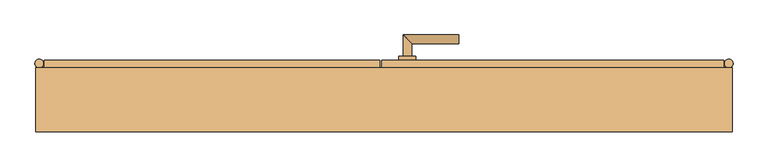
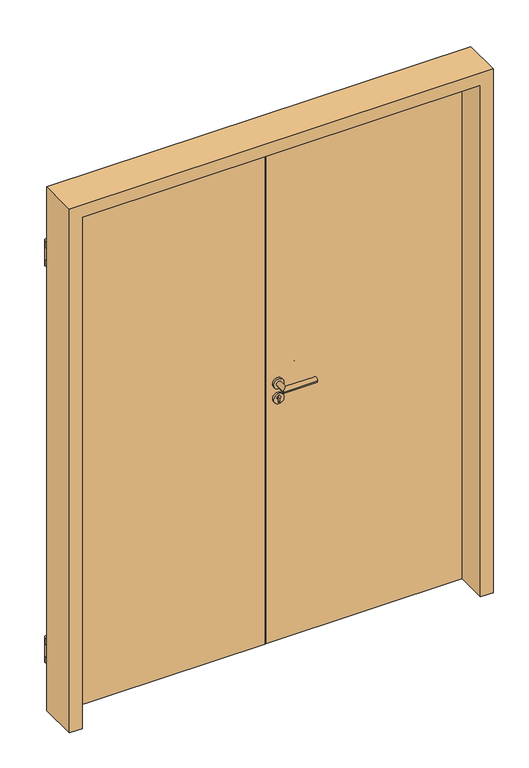
"""IFC4 building model written with IfcOpenShell, lengths in millimetres: door geometry."""

import ifcopenshell
import ifcopenshell.guid

model = None  # the IFC model being written
_history = None  # IfcOwnerHistory: only IFC2X3 demands one
_inside = {}  # id of a spatial element -> (the spatial element, [elements in it])
_under = {}  # id of a project, library or spatial element -> (it, [spatial elements below it])
_declared = {}  # id of a project -> (the project, [libraries it declares])
_typed = {}  # id of a type object -> (the type object, [elements of that type])
_made_of = {}  # id of a material, layer set ... -> (it, [elements and type objects made of it])


def new_model(schema):
    """Start an empty IFC model of exactly this schema.

    Asked for "IFC4X3", IfcOpenShell would pick the latest addendum, in which some entities
    have other attributes; the version numbers below select the first issue.
    IFC2X3 requires an IfcOwnerHistory on every rooted entity: one is made here for all.
    """
    global model, _history
    if schema == "IFC4X3":
        model = ifcopenshell.file(schema_version=(4, 3, 0, 0))
    else:
        model = ifcopenshell.file(schema=schema)
    _inside.clear()
    _under.clear()
    _declared.clear()
    _typed.clear()
    _made_of.clear()
    _history = None
    if model.schema == "IFC2X3":
        org = make("IfcOrganization", Name="unknown")
        user = make(
            "IfcPersonAndOrganization",
            ThePerson=make("IfcPerson", FamilyName="unknown"),
            TheOrganization=org,
        )
        app = make(
            "IfcApplication",
            ApplicationDeveloper=org,
            Version="unknown",
            ApplicationFullName="unknown",
            ApplicationIdentifier="unknown",
        )
        _history = make(
            "IfcOwnerHistory",
            OwningUser=user,
            OwningApplication=app,
            ChangeAction="ADDED",
            CreationDate=0,
        )
    return model


def make(cls, **values):
    """One entity of the class cls with the attributes given. An attribute that is None is left unset."""
    return model.create_entity(
        cls, **{name: value for name, value in values.items() if value is not None}
    )


def rooted(cls, **values):
    """An entity with a GlobalId (a new one), such as an element, a storey or a relation."""
    return make(cls, GlobalId=ifcopenshell.guid.new(), OwnerHistory=_history, **values)


def si_unit(unit_type, name, prefix=None):
    """IfcSIUnit, for example si_unit("LENGTHUNIT", "METRE", prefix="MILLI")."""
    return make("IfcSIUnit", UnitType=unit_type, Prefix=prefix, Name=name)


def assignment(units):
    """IfcUnitAssignment: the units of a project."""
    return None if units is None else make("IfcUnitAssignment", Units=units)


def point(xyz):
    """IfcCartesianPoint."""
    return None if xyz is None else make("IfcCartesianPoint", Coordinates=xyz)


def direction(xyz):
    """IfcDirection."""
    return None if xyz is None else make("IfcDirection", DirectionRatios=xyz)


def frame(location, z_axis=None, x_axis=None):
    """IfcAxis2Placement3D, a coordinate frame: its origin and axes. An axis left out is left unset."""
    return make(
        "IfcAxis2Placement3D",
        Location=point(location),
        Axis=direction(z_axis),
        RefDirection=direction(x_axis),
    )


def frame_2d(location, x_axis=None):
    """IfcAxis2Placement2D, a coordinate frame in the plane: its origin and x axis."""
    return make(
        "IfcAxis2Placement2D", Location=point(location), RefDirection=direction(x_axis)
    )


def origin():
    """The frame at (0, 0, 0) with its axes left unset."""
    return frame((0.0, 0.0, 0.0))


def place(relative_to, where):
    """IfcLocalPlacement: puts the frame where relative to a parent placement (None: the world)."""
    return make(
        "IfcLocalPlacement", PlacementRelTo=relative_to, RelativePlacement=where
    )


def context(
    kind, dimensions, precision=None, world=None, true_north=None, identifier=None
):
    """IfcGeometricRepresentationContext, for example the 3D "Model" context."""
    return make(
        "IfcGeometricRepresentationContext",
        ContextIdentifier=identifier,
        ContextType=kind,
        CoordinateSpaceDimension=dimensions,
        Precision=precision,
        WorldCoordinateSystem=world,
        TrueNorth=true_north,
    )


def project(units=None, contexts=None):
    """IfcProject with its units and contexts."""
    return rooted(
        "IfcProject",
        Name="project",
        RepresentationContexts=contexts,
        UnitsInContext=assignment(units),
    )


def spatial(cls, under=None, at=None, **own):
    """A site, building, storey or space (cls), placed at a placement, below another one or the project."""
    s = rooted(cls, ObjectPlacement=at, **own)
    if under is not None:
        _under.setdefault(under.id(), (under, []))[1].append(s)
    return s


def polyline(points):
    """IfcPolyline through the points."""
    return make("IfcPolyline", Points=[point(p) for p in points])


def circle_curve(where, radius):
    """IfcCircle in the frame where."""
    return make("IfcCircle", Position=where, Radius=radius)


def ellipse_curve(where, semi_axis1, semi_axis2):
    """IfcEllipse in the frame where."""
    return make(
        "IfcEllipse", Position=where, SemiAxis1=semi_axis1, SemiAxis2=semi_axis2
    )


def trimmed(basis, trim1, trim2, sense, master):
    """IfcTrimmedCurve: the piece of a basis curve between two trims."""
    return make(
        "IfcTrimmedCurve",
        BasisCurve=basis,
        Trim1=trim1,
        Trim2=trim2,
        SenseAgreement=sense,
        MasterRepresentation=master,
    )


def segment(curve, same_sense, transition):
    """IfcCompositeCurveSegment."""
    return make(
        "IfcCompositeCurveSegment",
        Transition=transition,
        SameSense=same_sense,
        ParentCurve=curve,
    )


def composite_curve(segments, self_intersect=None):
    """IfcCompositeCurve: segments joined end to end."""
    return make("IfcCompositeCurve", Segments=segments, SelfIntersect=self_intersect)


def outline(outer, holes=None, kind="AREA"):
    """IfcArbitraryClosedProfileDef: a profile drawn as a closed curve; with holes, ...WithVoids."""
    if holes is None:
        return make("IfcArbitraryClosedProfileDef", ProfileType=kind, OuterCurve=outer)
    return make(
        "IfcArbitraryProfileDefWithVoids",
        ProfileType=kind,
        OuterCurve=outer,
        InnerCurves=holes,
    )


def extrude(swept, where, along, depth):
    """IfcExtrudedAreaSolid: the profile swept, set in the frame where, extruded along a direction by depth."""
    return make(
        "IfcExtrudedAreaSolid",
        SweptArea=swept,
        Position=where,
        ExtrudedDirection=direction(along),
        Depth=depth,
    )


def faces_of(points, faces, orient=None, outer=None):
    """IfcFace entities. A face is a list of loops; a loop is a list of indices into points, from 0.

    orient and outer hold one flag for each loop. By default every Orientation is true, the
    first loop of a face is its IfcFaceOuterBound and the others are IfcFaceBound.
    """
    made = []
    for i, loops in enumerate(faces):
        bounds = []
        for j, loop in enumerate(loops):
            is_outer = j == 0 if outer is None else outer[i][j]
            bounds.append(
                make(
                    "IfcFaceOuterBound" if is_outer else "IfcFaceBound",
                    Bound=make("IfcPolyLoop", Polygon=[points[k] for k in loop]),
                    Orientation=True if orient is None else orient[i][j],
                )
            )
        made.append(make("IfcFace", Bounds=bounds))
    return made


def faceted_brep(points, faces, orient=None, outer=None, voids=None):
    """IfcFacetedBrep: a solid bounded by flat faces; with voids (closed shells), ...WithVoids."""
    shared = [point(p) for p in points]
    hull = make("IfcClosedShell", CfsFaces=faces_of(shared, faces, orient, outer))
    if voids is None:
        return make("IfcFacetedBrep", Outer=hull)
    return make(
        "IfcFacetedBrepWithVoids",
        Outer=hull,
        Voids=[
            make(cls, CfsFaces=faces_of(shared, fs, o, b)) for cls, fs, o, b in voids
        ],
    )


def shape(context_of_items, identifier, shape_type, items):
    """IfcShapeRepresentation: the items that make up one representation, for example the "Body"."""
    return make(
        "IfcShapeRepresentation",
        ContextOfItems=context_of_items,
        RepresentationIdentifier=identifier,
        RepresentationType=shape_type,
        Items=items,
    )


def source(mapping_origin, context_of_items, identifier, shape_type, items):
    """IfcRepresentationMap: a shape defined once, which mapped items show again and again."""
    return make(
        "IfcRepresentationMap",
        MappingOrigin=mapping_origin,
        MappedRepresentation=shape(context_of_items, identifier, shape_type, items),
    )


def transform(
    local_origin,
    x_axis=None,
    y_axis=None,
    z_axis=None,
    scale=None,
    scale2=None,
    scale3=None,
    uniform=True,
):
    """IfcCartesianTransformationOperator3D, or its non-uniform kind. x_axis, y_axis, z_axis: its Axis1, 2, 3."""
    if uniform:
        return make(
            "IfcCartesianTransformationOperator3D",
            Axis1=direction(x_axis),
            Axis2=direction(y_axis),
            LocalOrigin=point(local_origin),
            Scale=scale,
            Axis3=direction(z_axis),
        )
    return make(
        "IfcCartesianTransformationOperator3DnonUniform",
        Axis1=direction(x_axis),
        Axis2=direction(y_axis),
        LocalOrigin=point(local_origin),
        Scale=scale,
        Axis3=direction(z_axis),
        Scale2=scale2,
        Scale3=scale3,
    )


def mapped(mapping_source, mapping_target):
    """IfcMappedItem: shows the shape of a source again, moved by a transform."""
    return make(
        "IfcMappedItem", MappingSource=mapping_source, MappingTarget=mapping_target
    )


def made_of(thing, what):
    """Note that an element or type object is made of a material, layer set ...; save() writes the relation."""
    if what is not None:
        _made_of.setdefault(what.id(), (what, []))[1].append(thing)
    return thing


def element(
    cls,
    number,
    at=None,
    inside=None,
    cuts=None,
    type_object=None,
    material=None,
    context=None,
    identifier="Body",
    shape_type=None,
    held_by="IfcProductDefinitionShape",
    body=None,
    shapes=None,
    **own,
):
    """One element of the class cls, such as IfcWall. Its Tag is "e" and its number.

    at: its placement. inside: the storey or other place that contains it. cuts: it is an
    opening in that element (IfcRelVoidsElement). A single representation is given by context,
    identifier, shape_type and body (its items); several are given by shapes. held_by: the class
    of the entity that holds the representations. save() writes the other relations.
    """
    e = rooted(cls, Tag="e%d" % number, ObjectPlacement=at, **own)
    if body is not None:
        shapes = [shape(context, identifier, shape_type, body)]
    if shapes is not None:
        e.Representation = make(held_by, Representations=shapes)
    if inside is not None:
        _inside.setdefault(inside.id(), (inside, []))[1].append(e)
    if cuts is not None:
        rooted(
            "IfcRelVoidsElement", RelatingBuildingElement=cuts, RelatedOpeningElement=e
        )
    if type_object is not None:
        _typed.setdefault(type_object.id(), (type_object, []))[1].append(e)
    return made_of(e, material)


def aggregate(whole, parts):
    """IfcRelAggregates: a whole, such as a stair, and the parts it consists of."""
    return rooted("IfcRelAggregates", RelatingObject=whole, RelatedObjects=parts)


def save(model, path):
    """Write the relations noted so far, then the file.

    IfcRelAggregates (storeys below a building ...), IfcRelContainedInSpatialStructure (elements
    in a storey), IfcRelDefinesByType, IfcRelAssociatesMaterial and IfcRelDeclares: one each for
    every whole, place, type object, material and project.
    """
    for whole, parts in _under.values():
        aggregate(whole, parts)
    for where, things in _inside.values():
        rooted(
            "IfcRelContainedInSpatialStructure",
            RelatedElements=things,
            RelatingStructure=where,
        )
    for kind, things in _typed.values():
        rooted("IfcRelDefinesByType", RelatedObjects=things, RelatingType=kind)
    for what, things in _made_of.values():
        rooted("IfcRelAssociatesMaterial", RelatedObjects=things, RelatingMaterial=what)
    for by, libraries in _declared.values():
        rooted("IfcRelDeclares", RelatingContext=by, RelatedDefinitions=libraries)
    model.write(path)


def plane_surface(at):
    """IfcPlane: the flat surface through the origin of the frame at, square to its z axis."""
    return make("IfcPlane", Position=at)


def cylinder_surface(at, radius):
    """IfcCylindricalSurface: all points at the distance radius from the z axis of the frame at."""
    return make("IfcCylindricalSurface", Position=at, Radius=radius)


def advanced_brep(points, edges, surfaces, faces):
    """IfcAdvancedBrep: a solid bounded by faces that lie on surfaces and meet in shared edges.

    An edge is (start, end): straight between two places in points (the first is 0);
    or (start, end, curve); or (start, end, curve, False) where it runs against its curve.
    A face is (place in surfaces, loops), or (place, loops, False) where it looks against
    its surface's normal. A loop lists edges by number (the first is 1), with a minus sign
    where the edge is run from its end to its start. The first loop is the outer one.
    """
    corners = [point(p) for p in points]
    vertices = [make("IfcVertexPoint", VertexGeometry=c) for c in corners]
    made = []
    for start, end, *more in edges:
        made.append(
            make(
                "IfcEdgeCurve",
                EdgeStart=vertices[start],
                EdgeEnd=vertices[end],
                EdgeGeometry=more[0] if more else make("IfcPolyline", Points=[corners[start], corners[end]]),
                SameSense=more[1] if len(more) > 1 else True,
            )
        )
    hull = []
    for where, loops, *sense in faces:
        bounds = []
        for j, loop in enumerate(loops):
            ring = [make("IfcOrientedEdge", EdgeElement=made[abs(k) - 1], Orientation=k > 0) for k in loop]
            bounds.append(
                make(
                    "IfcFaceOuterBound" if j == 0 else "IfcFaceBound",
                    Bound=make("IfcEdgeLoop", EdgeList=ring),
                    Orientation=True,
                )
            )
        hull.append(make("IfcAdvancedFace", Bounds=bounds, FaceSurface=surfaces[where], SameSense=sense[0] if sense else True))
    return make("IfcAdvancedBrep", Outer=make("IfcClosedShell", CfsFaces=hull))


def door_7352bb9c(model_context):
    return source(origin(), model_context, "Body", "SolidModel", [
        faceted_brep([(-782.5, 75.0, 2100.0), (-9.5, 75.0, 2100.0), (-9.5, 75.0, 2115.0), (-797.5, 75.0, 2115.0), (-797.5, 75.0, 0.0), (-782.5, 75.0, 0.0), (-782.5, 47.0, 0.0), (-782.5, 47.0, 2100.0), (5.5, 47.0, 0.0), (5.5, 47.0, 2100.0), (-797.5, 92.0, 0.0), (-9.5, 92.0, 0.0), (-9.5, 75.0, 0.0), (5.5, 75.0, 0.0), (-797.5, 92.0, 2115.0), (5.5, 75.0, 2100.0), (-9.5, 92.0, 2115.0)], [[[0, 1, 2, 3, 4, 5]], [[5, 6, 7, 0]], [[8, 9, 7, 6]], [[8, 6, 5, 4, 10, 11, 12, 13]], [[10, 4, 3, 14]], [[13, 15, 9, 8]], [[12, 1, 15, 13]], [[2, 1, 12, 11, 16]], [[16, 11, 10, 14]], [[0, 7, 9, 15, 1]], [[14, 3, 2, 16]]]),
        faceted_brep([(797.5, 92.0, 0.0), (797.5, 75.0, 0.0), (782.5, 75.0, 0.0), (782.5, 47.0, 0.0), (9.5, 47.0, 0.0), (9.5, 75.0, 0.0), (-5.5, 75.0, 0.0), (-5.5, 92.0, 0.0), (782.5, 47.0, 2100.0), (9.5, 47.0, 2100.0), (782.5, 75.0, 2100.0), (797.5, 92.0, 2115.0), (-5.5, 92.0, 2115.0), (-5.5, 75.0, 2115.0), (9.5, 75.0, 2100.0), (797.5, 75.0, 2115.0)], [[[0, 1, 2, 3, 4, 5, 6, 7]], [[3, 8, 9, 4]], [[10, 8, 3, 2]], [[11, 0, 7, 12]], [[12, 7, 6, 13]], [[14, 9, 8, 10]], [[11, 15, 1, 0]], [[15, 11, 12, 13]], [[15, 13, 6, 5, 14, 10, 2, 1]], [[4, 9, 14, 5]]]),
        extrude(outline(composite_curve([segment(trimmed(circle_curve(frame_2d((809.5, 85.0)), 10.0), [point((799.5, 85.0))], [point((819.5, 85.0))], False, "CARTESIAN"), True, "CONTINUOUS"), segment(trimmed(circle_curve(frame_2d((809.5, 85.0)), 10.0), [point((819.5, 85.0))], [point((799.5, 85.0))], False, "CARTESIAN"), True, "CONTINUOUS")], self_intersect=False)), frame((0.0, 0.0, 1884.0), z_axis=(0.0, 0.0, 1.0), x_axis=(1.0, 0.0, 0.0)), (0.0, 0.0, 1.0), 25.0),
        extrude(outline(composite_curve([segment(polyline([(809.5, 75.0), (797.5, 75.0), (797.5, 80.0), (800.839746, 80.0)]), True, "CONTINUOUS"), segment(trimmed(circle_curve(frame_2d((809.5, 85.0)), 10.0), [point((800.839746, 80.0))], [point((809.5, 75.0))], False, "CARTESIAN"), True, "CONTINUOUS")], self_intersect=False)), frame((0.0, 0.0, 1834.0), z_axis=(0.0, 0.0, 1.0), x_axis=(1.0, 0.0, 0.0)), (0.0, 0.0, 1.0), 50.0),
        extrude(outline(composite_curve([segment(trimmed(circle_curve(frame_2d((809.5, 85.0)), 10.0), [point((799.5, 85.0))], [point((819.5, 85.0))], False, "CARTESIAN"), True, "CONTINUOUS"), segment(trimmed(circle_curve(frame_2d((809.5, 85.0)), 10.0), [point((819.5, 85.0))], [point((799.5, 85.0))], False, "CARTESIAN"), True, "CONTINUOUS")], self_intersect=False)), frame((0.0, 0.0, 1809.0), z_axis=(0.0, 0.0, 1.0), x_axis=(1.0, 0.0, 0.0)), (0.0, 0.0, 1.0), 25.0),
        extrude(outline(composite_curve([segment(trimmed(circle_curve(frame_2d((809.5, 85.0)), 10.0), [point((799.5, 85.0))], [point((819.5, 85.0))], False, "CARTESIAN"), True, "CONTINUOUS"), segment(trimmed(circle_curve(frame_2d((809.5, 85.0)), 10.0), [point((819.5, 85.0))], [point((799.5, 85.0))], False, "CARTESIAN"), True, "CONTINUOUS")], self_intersect=False)), frame((0.0, 0.0, 266.0), z_axis=(0.0, 0.0, 1.0), x_axis=(1.0, 0.0, 0.0)), (0.0, 0.0, 1.0), 25.0),
        extrude(outline(composite_curve([segment(polyline([(809.5, 75.0), (797.5, 75.0), (797.5, 80.0), (800.839746, 80.0)]), True, "CONTINUOUS"), segment(trimmed(circle_curve(frame_2d((809.5, 85.0)), 10.0), [point((800.839746, 80.0))], [point((809.5, 75.0))], False, "CARTESIAN"), True, "CONTINUOUS")], self_intersect=False)), frame((0.0, 0.0, 216.0), z_axis=(0.0, 0.0, 1.0), x_axis=(1.0, 0.0, 0.0)), (0.0, 0.0, 1.0), 50.0),
        extrude(outline(composite_curve([segment(trimmed(circle_curve(frame_2d((809.5, 85.0)), 10.0), [point((799.5, 85.0))], [point((819.5, 85.0))], False, "CARTESIAN"), True, "CONTINUOUS"), segment(trimmed(circle_curve(frame_2d((809.5, 85.0)), 10.0), [point((819.5, 85.0))], [point((799.5, 85.0))], False, "CARTESIAN"), True, "CONTINUOUS")], self_intersect=False)), frame((0.0, 0.0, 191.0), z_axis=(0.0, 0.0, 1.0), x_axis=(1.0, 0.0, 0.0)), (0.0, 0.0, 1.0), 25.0),
        extrude(outline(composite_curve([segment(trimmed(circle_curve(frame_2d((-809.5, 85.0)), 10.0), [point((-819.5, 85.0))], [point((-799.5, 85.0))], False, "CARTESIAN"), True, "CONTINUOUS"), segment(trimmed(circle_curve(frame_2d((-809.5, 85.0)), 10.0), [point((-799.5, 85.0))], [point((-819.5, 85.0))], False, "CARTESIAN"), True, "CONTINUOUS")], self_intersect=False)), frame((0.0, 0.0, 1884.0), z_axis=(0.0, 0.0, 1.0), x_axis=(1.0, 0.0, 0.0)), (0.0, 0.0, 1.0), 25.0),
        extrude(outline(composite_curve([segment(polyline([(-800.839746, 80.0), (-797.5, 80.0), (-797.5, 75.0), (-809.5, 75.0)]), True, "CONTINUOUS"), segment(trimmed(circle_curve(frame_2d((-809.5, 85.0)), 10.0), [point((-809.5, 75.0))], [point((-800.839746, 80.0))], False, "CARTESIAN"), True, "CONTINUOUS")], self_intersect=False)), frame((0.0, 0.0, 1834.0), z_axis=(0.0, 0.0, 1.0), x_axis=(1.0, 0.0, 0.0)), (0.0, 0.0, 1.0), 50.0),
        extrude(outline(composite_curve([segment(trimmed(circle_curve(frame_2d((-809.5, 85.0)), 10.0), [point((-819.5, 85.0))], [point((-799.5, 85.0))], False, "CARTESIAN"), True, "CONTINUOUS"), segment(trimmed(circle_curve(frame_2d((-809.5, 85.0)), 10.0), [point((-799.5, 85.0))], [point((-819.5, 85.0))], False, "CARTESIAN"), True, "CONTINUOUS")], self_intersect=False)), frame((0.0, 0.0, 1809.0), z_axis=(0.0, 0.0, 1.0), x_axis=(1.0, 0.0, 0.0)), (0.0, 0.0, 1.0), 25.0),
        extrude(outline(composite_curve([segment(trimmed(circle_curve(frame_2d((-809.5, 85.0)), 10.0), [point((-819.5, 85.0))], [point((-799.5, 85.0))], False, "CARTESIAN"), True, "CONTINUOUS"), segment(trimmed(circle_curve(frame_2d((-809.5, 85.0)), 10.0), [point((-799.5, 85.0))], [point((-819.5, 85.0))], False, "CARTESIAN"), True, "CONTINUOUS")], self_intersect=False)), frame((0.0, 0.0, 266.0), z_axis=(0.0, 0.0, 1.0), x_axis=(1.0, 0.0, 0.0)), (0.0, 0.0, 1.0), 25.0),
        extrude(outline(composite_curve([segment(polyline([(-800.839746, 80.0), (-797.5, 80.0), (-797.5, 75.0), (-809.5, 75.0)]), True, "CONTINUOUS"), segment(trimmed(circle_curve(frame_2d((-809.5, 85.0)), 10.0), [point((-809.5, 75.0))], [point((-800.839746, 80.0))], False, "CARTESIAN"), True, "CONTINUOUS")], self_intersect=False)), frame((0.0, 0.0, 216.0), z_axis=(0.0, 0.0, 1.0), x_axis=(1.0, 0.0, 0.0)), (0.0, 0.0, 1.0), 50.0),
        extrude(outline(composite_curve([segment(trimmed(circle_curve(frame_2d((-809.5, 85.0)), 10.0), [point((-819.5, 85.0))], [point((-799.5, 85.0))], False, "CARTESIAN"), True, "CONTINUOUS"), segment(trimmed(circle_curve(frame_2d((-809.5, 85.0)), 10.0), [point((-799.5, 85.0))], [point((-819.5, 85.0))], False, "CARTESIAN"), True, "CONTINUOUS")], self_intersect=False)), frame((0.0, 0.0, 191.0), z_axis=(0.0, 0.0, 1.0), x_axis=(1.0, 0.0, 0.0)), (0.0, 0.0, 1.0), 25.0),
        advanced_brep(
        [(65.0, 102.0, 1050.0), (45.0, 102.0, 1050.0), (65.0, 132.0, 1050.0), (45.0, 152.0, 1050.0), (175.0, 132.0, 1050.0), (175.0, 152.0, 1050.0)],
        [
            (0, 1, circle_curve(frame((55.0, 102.0, 1050.0), z_axis=(0.0, -1.0, 0.0), x_axis=(-1.0, 0.0, 0.0)), 10.0)),
            (1, 0, circle_curve(frame((55.0, 102.0, 1050.0), z_axis=(0.0, -1.0, 0.0), x_axis=(-1.0, 0.0, 0.0)), 10.0)),
            (0, 2),
            (2, 3, ellipse_curve(frame((55.0, 142.0, 1050.0), z_axis=(-0.7071067811865531, -0.7071067811865419, 0.0), x_axis=(0.707106781186542, -0.707106781186553, 0.0)), 14.1421356, 10.0)),
            (3, 1),
            (3, 2, ellipse_curve(frame((55.0, 142.0, 1050.0), z_axis=(-0.7071067811865531, -0.7071067811865419, 0.0), x_axis=(0.707106781186542, -0.707106781186553, 0.0)), 14.1421356, 10.0)),
            (4, 5, circle_curve(frame((175.0, 142.0, 1050.0), z_axis=(1.0, 0.0, 0.0), x_axis=(0.0, 1.0, 0.0)), 10.0)),
            (5, 4, circle_curve(frame((175.0, 142.0, 1050.0), z_axis=(1.0, 0.0, 0.0), x_axis=(0.0, 1.0, 0.0)), 10.0)),
            (2, 4),
            (5, 3),
        ],
        [
            plane_surface(frame((55.0, 102.0, 1050.0), z_axis=(0.0, -1.0, 0.0), x_axis=(0.0, 0.0, 1.0))),
            cylinder_surface(frame((55.0, 102.0, 1050.0), z_axis=(0.0, -1.0, 0.0), x_axis=(-1.0, 0.0, 0.0)), 10.0),
            plane_surface(frame((175.0, 142.0, 1050.0), z_axis=(1.0, 0.0, 0.0), x_axis=(0.0, 0.0, 1.0))),
            cylinder_surface(frame((55.0, 142.0, 1050.0), z_axis=(-1.0, 0.0, 0.0), x_axis=(0.0, 1.0, 0.0)), 10.0),
        ],
        [
            (0, [[1, 2]]),
            (1, [[-1, 3, 4, 5]]),
            (1, [[-2, -5, 6, -3]]),
            (2, [[7, 8]]),
            (3, [[-4, 9, -8, 10]]),
            (3, [[-6, -10, -7, -9]]),
        ],
    ),
        extrude(outline(composite_curve([segment(trimmed(circle_curve(frame_2d((990.0, 55.0)), 20.0), [point((990.0, 35.0))], [point((990.0, 75.0))], False, "CARTESIAN"), True, "CONTINUOUS"), segment(trimmed(circle_curve(frame_2d((990.0, 55.0)), 20.0), [point((990.0, 75.0))], [point((990.0, 35.0))], False, "CARTESIAN"), True, "CONTINUOUS")], self_intersect=False), holes=[composite_curve([segment(polyline([(976.4601385, 52.602732), (988.4749012, 52.602732)]), True, "CONTINUOUS"), segment(trimmed(circle_curve(frame_2d((995.0361633, 55.0)), 6.9854888), [point((988.4749012, 52.602732))], [point((988.4749012, 57.397268))], True, "CARTESIAN"), True, "CONTINUOUS"), segment(polyline([(988.4749012, 57.397268), (976.4601385, 57.397268)]), True, "CONTINUOUS"), segment(trimmed(circle_curve(frame_2d((976.4601385, 55.0)), 2.397268), [point((976.4601385, 57.397268))], [point((976.4601385, 52.602732))], True, "CARTESIAN"), True, "CONTINUOUS")], self_intersect=False)]), frame((0.0, 92.0, 0.0), z_axis=(0.0, 1.0, 0.0), x_axis=(0.0, 0.0, 1.0)), (0.0, 0.0, 1.0), 10.0),
        advanced_brep(
        [(65.0, 102.0, 1050.0), (45.0, 102.0, 1050.0), (65.0, 132.0, 1050.0), (45.0, 152.0, 1050.0), (175.0, 132.0, 1050.0), (175.0, 152.0, 1050.0)],
        [
            (0, 1, circle_curve(frame((55.0, 102.0, 1050.0), z_axis=(0.0, -1.0, 0.0), x_axis=(-1.0, 0.0, 0.0)), 10.0)),
            (1, 0, circle_curve(frame((55.0, 102.0, 1050.0), z_axis=(0.0, -1.0, 0.0), x_axis=(-1.0, 0.0, 0.0)), 10.0)),
            (0, 2),
            (2, 3, ellipse_curve(frame((55.0, 142.0, 1050.0), z_axis=(-0.7071067811865537, -0.7071067811865414, 0.0), x_axis=(0.7071067811865414, -0.7071067811865536, 0.0)), 14.1421356, 10.0)),
            (3, 1),
            (3, 2, ellipse_curve(frame((55.0, 142.0, 1050.0), z_axis=(-0.7071067811865537, -0.7071067811865414, 0.0), x_axis=(0.7071067811865414, -0.7071067811865536, 0.0)), 14.1421356, 10.0)),
            (4, 5, circle_curve(frame((175.0, 142.0, 1050.0), z_axis=(1.0, 0.0, 0.0), x_axis=(0.0, 1.0, 0.0)), 10.0)),
            (5, 4, circle_curve(frame((175.0, 142.0, 1050.0), z_axis=(1.0, 0.0, 0.0), x_axis=(0.0, 1.0, 0.0)), 10.0)),
            (2, 4),
            (5, 3),
        ],
        [
            plane_surface(frame((55.0, 102.0, 1050.0), z_axis=(0.0, -1.0, 0.0), x_axis=(0.0, 0.0, 1.0))),
            cylinder_surface(frame((55.0, 102.0, 1050.0), z_axis=(0.0, -1.0, 0.0), x_axis=(-1.0, 0.0, 0.0)), 10.0),
            plane_surface(frame((175.0, 142.0, 1050.0), z_axis=(1.0, 0.0, 0.0), x_axis=(0.0, 0.0, 1.0))),
            cylinder_surface(frame((55.0, 142.0, 1050.0), z_axis=(-1.0, 0.0, 0.0), x_axis=(0.0, 1.0, 0.0)), 10.0),
        ],
        [
            (0, [[1, 2]]),
            (1, [[-1, 3, 4, 5]]),
            (1, [[-2, -5, 6, -3]]),
            (2, [[7, 8]]),
            (3, [[-4, 9, -8, 10]]),
            (3, [[-6, -10, -7, -9]]),
        ],
    ),
        extrude(outline(composite_curve([segment(trimmed(circle_curve(frame_2d((1050.0, 55.0)), 20.0), [point((1050.0, 35.0))], [point((1050.0, 75.0))], False, "CARTESIAN"), True, "CONTINUOUS"), segment(trimmed(circle_curve(frame_2d((1050.0, 55.0)), 20.0), [point((1050.0, 75.0))], [point((1050.0, 35.0))], False, "CARTESIAN"), True, "CONTINUOUS")], self_intersect=False)), frame((0.0, 92.0, 0.0), z_axis=(0.0, 1.0, 0.0), x_axis=(0.0, 0.0, 1.0)), (0.0, 0.0, 1.0), 10.0),
        advanced_brep(
        [(65.0, 37.0, 1050.0), (45.0, 37.0, 1050.0), (45.0, -13.0, 1050.0), (65.0, 7.0, 1050.0), (175.0, 7.0, 1050.0), (175.0, -13.0, 1050.0)],
        [
            (0, 1, circle_curve(frame((55.0, 37.0, 1050.0), z_axis=(0.0, 1.0, 0.0), x_axis=(-1.0, 0.0, 0.0)), 10.0)),
            (1, 0, circle_curve(frame((55.0, 37.0, 1050.0), z_axis=(0.0, 1.0, 0.0), x_axis=(-1.0, 0.0, 0.0)), 10.0)),
            (1, 2),
            (2, 3, ellipse_curve(frame((55.0, -3.0, 1050.0), z_axis=(-0.7071067811865486, 0.7071067811865464, 0.0), x_axis=(0.7071067811865464, 0.7071067811865488, 0.0)), 14.1421356, 10.0)),
            (3, 0),
            (3, 2, ellipse_curve(frame((55.0, -3.0, 1050.0), z_axis=(-0.7071067811865486, 0.7071067811865464, 0.0), x_axis=(0.7071067811865464, 0.7071067811865488, 0.0)), 14.1421356, 10.0)),
            (4, 5, circle_curve(frame((175.0, -3.0, 1050.0), z_axis=(1.0, 0.0, 0.0), x_axis=(0.0, -1.0, 0.0)), 10.0)),
            (5, 4, circle_curve(frame((175.0, -3.0, 1050.0), z_axis=(1.0, 0.0, 0.0), x_axis=(0.0, -1.0, 0.0)), 10.0)),
            (2, 5),
            (4, 3),
        ],
        [
            plane_surface(frame((55.0, 37.0, 1050.0), z_axis=(0.0, 1.0, 0.0), x_axis=(0.0, 0.0, 1.0))),
            cylinder_surface(frame((55.0, 37.0, 1050.0), z_axis=(0.0, 1.0, 0.0), x_axis=(-1.0, 0.0, 0.0)), 10.0),
            plane_surface(frame((175.0, -3.0, 1050.0), z_axis=(1.0, 0.0, 0.0), x_axis=(0.0, 0.0, 1.0))),
            cylinder_surface(frame((55.0, -3.0, 1050.0), z_axis=(-1.0, 0.0, 0.0), x_axis=(0.0, -1.0, 0.0)), 10.0),
        ],
        [
            (0, [[1, 2]]),
            (1, [[3, 4, 5, -2]]),
            (1, [[-5, 6, -3, -1]]),
            (2, [[7, 8]]),
            (3, [[9, -7, 10, -4]]),
            (3, [[-10, -8, -9, -6]]),
        ],
    ),
        extrude(outline(composite_curve([segment(trimmed(circle_curve(frame_2d((990.0, 55.0)), 20.0), [point((990.0, 35.0))], [point((990.0, 75.0))], False, "CARTESIAN"), True, "CONTINUOUS"), segment(trimmed(circle_curve(frame_2d((990.0, 55.0)), 20.0), [point((990.0, 75.0))], [point((990.0, 35.0))], False, "CARTESIAN"), True, "CONTINUOUS")], self_intersect=False), holes=[composite_curve([segment(polyline([(976.4601385, 52.602732), (988.4749012, 52.602732)]), True, "CONTINUOUS"), segment(trimmed(circle_curve(frame_2d((995.0361633, 55.0)), 6.9854888), [point((988.4749012, 52.602732))], [point((988.4749012, 57.397268))], True, "CARTESIAN"), True, "CONTINUOUS"), segment(polyline([(988.4749012, 57.397268), (976.4601385, 57.397268)]), True, "CONTINUOUS"), segment(trimmed(circle_curve(frame_2d((976.4601385, 55.0)), 2.397268), [point((976.4601385, 57.397268))], [point((976.4601385, 52.602732))], True, "CARTESIAN"), True, "CONTINUOUS")], self_intersect=False)]), frame((0.0, 37.0, 0.0), z_axis=(0.0, 1.0, 0.0), x_axis=(0.0, 0.0, 1.0)), (0.0, 0.0, 1.0), 10.0),
        advanced_brep(
        [(65.0, 37.0, 1050.0), (45.0, 37.0, 1050.0), (45.0, -13.0, 1050.0), (65.0, 7.0, 1050.0), (175.0, 7.0, 1050.0), (175.0, -13.0, 1050.0)],
        [
            (0, 1, circle_curve(frame((55.0, 37.0, 1050.0), z_axis=(0.0, 1.0, 0.0), x_axis=(-1.0, 0.0, 0.0)), 10.0)),
            (1, 0, circle_curve(frame((55.0, 37.0, 1050.0), z_axis=(0.0, 1.0, 0.0), x_axis=(-1.0, 0.0, 0.0)), 10.0)),
            (1, 2),
            (2, 3, ellipse_curve(frame((55.0, -3.0, 1050.0), z_axis=(-0.7071067811865491, 0.7071067811865459, 0.0), x_axis=(0.7071067811865458, 0.7071067811865492, 0.0)), 14.1421356, 10.0)),
            (3, 0),
            (3, 2, ellipse_curve(frame((55.0, -3.0, 1050.0), z_axis=(-0.7071067811865491, 0.7071067811865459, 0.0), x_axis=(0.7071067811865458, 0.7071067811865492, 0.0)), 14.1421356, 10.0)),
            (4, 5, circle_curve(frame((175.0, -3.0, 1050.0), z_axis=(1.0, 0.0, 0.0), x_axis=(0.0, -1.0, 0.0)), 10.0)),
            (5, 4, circle_curve(frame((175.0, -3.0, 1050.0), z_axis=(1.0, 0.0, 0.0), x_axis=(0.0, -1.0, 0.0)), 10.0)),
            (2, 5),
            (4, 3),
        ],
        [
            plane_surface(frame((55.0, 37.0, 1050.0), z_axis=(0.0, 1.0, 0.0), x_axis=(0.0, 0.0, 1.0))),
            cylinder_surface(frame((55.0, 37.0, 1050.0), z_axis=(0.0, 1.0, 0.0), x_axis=(-1.0, 0.0, 0.0)), 10.0),
            plane_surface(frame((175.0, -3.0, 1050.0), z_axis=(1.0, 0.0, 0.0), x_axis=(0.0, 0.0, 1.0))),
            cylinder_surface(frame((55.0, -3.0, 1050.0), z_axis=(-1.0, 0.0, 0.0), x_axis=(0.0, -1.0, 0.0)), 10.0),
        ],
        [
            (0, [[1, 2]]),
            (1, [[3, 4, 5, -2]]),
            (1, [[-5, 6, -3, -1]]),
            (2, [[7, 8]]),
            (3, [[9, -7, 10, -4]]),
            (3, [[-10, -8, -9, -6]]),
        ],
    ),
        extrude(outline(composite_curve([segment(trimmed(circle_curve(frame_2d((1050.0, 55.0)), 20.0), [point((1050.0, 35.0))], [point((1050.0, 75.0))], False, "CARTESIAN"), True, "CONTINUOUS"), segment(trimmed(circle_curve(frame_2d((1050.0, 55.0)), 20.0), [point((1050.0, 75.0))], [point((1050.0, 35.0))], False, "CARTESIAN"), True, "CONTINUOUS")], self_intersect=False)), frame((0.0, 37.0, 0.0), z_axis=(0.0, 1.0, 0.0), x_axis=(0.0, 0.0, 1.0)), (0.0, 0.0, 1.0), 10.0),
        faceted_brep([(-782.5, 75.0, 0.0), (-782.5, 47.0, 0.0), (-767.5, 47.0, 0.0), (-767.5, -75.0, 0.0), (-817.5, -75.0, 0.0), (-817.5, 75.0, 0.0), (-782.5, 75.0, 2100.0), (-782.5, 47.0, 2100.0), (782.5, 47.0, 2100.0), (782.5, 47.0, 0.0), (767.5, 47.0, 0.0), (767.5, 47.0, 2085.0), (-767.5, 47.0, 2085.0), (-767.5, -75.0, 2085.0), (767.5, -75.0, 2085.0), (767.5, -75.0, 0.0), (817.5, -75.0, 0.0), (817.5, -75.0, 2135.0), (-817.5, -75.0, 2135.0), (-817.5, 75.0, 2135.0), (817.5, 75.0, 2135.0), (817.5, 75.0, 0.0), (782.5, 75.0, 0.0), (782.5, 75.0, 2100.0)], [[[0, 1, 2, 3, 4, 5]], [[1, 0, 6, 7]], [[2, 1, 7, 8, 9, 10, 11, 12]], [[3, 2, 12, 13]], [[4, 3, 13, 14, 15, 16, 17, 18]], [[5, 4, 18, 19]], [[0, 5, 19, 20, 21, 22, 23, 6]], [[20, 17, 16, 21]], [[22, 21, 16, 15, 10, 9]], [[8, 23, 22, 9]], [[14, 11, 10, 15]], [[19, 18, 17, 20]], [[13, 12, 11, 14]], [[7, 6, 23, 8]]]),
    ])


if __name__ == "__main__":
    model = new_model("IFC4")
    model_context = context("Model", 3, world=origin())
    ifc_project = project(units=[si_unit("LENGTHUNIT", "METRE", prefix="MILLI")], contexts=[model_context])
    site = spatial("IfcSite", under=ifc_project)
    building = spatial("IfcBuilding", under=site)
    placement = place(None, origin())
    door_shape = door_7352bb9c(model_context)
    element("IfcDoor", 1, at=placement, inside=building, context=model_context, shape_type="MappedRepresentation", body=[
        mapped(door_shape, transform((0.0, 0.0, 0.0), x_axis=(1.0, 0.0, 0.0), y_axis=(0.0, 1.0, 0.0), z_axis=(0.0, 0.0, 1.0))),
    ])
    save(model, "model.ifc")
